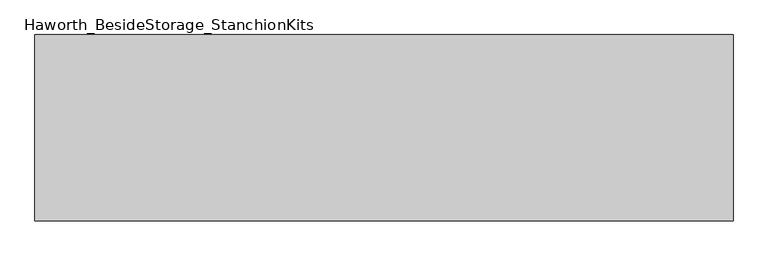
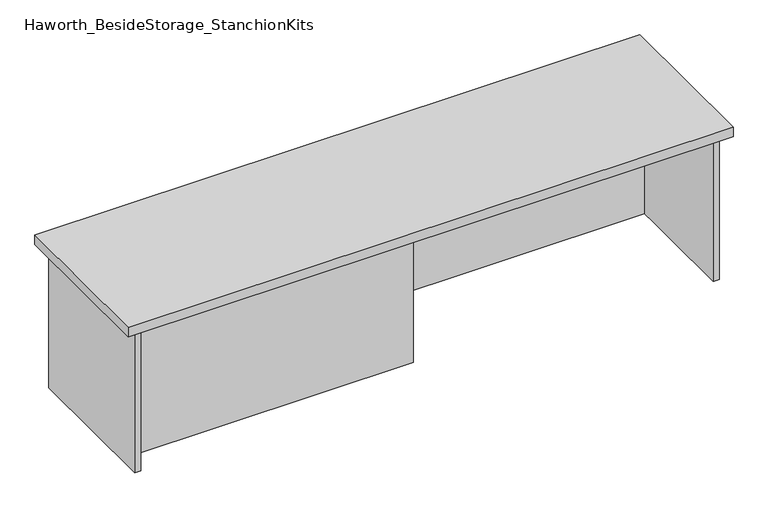
"""IFC4 building model written with IfcOpenShell, lengths in millimetres: furniture geometry, Haworth_BesideStorage_StanchionKits."""

from ifc_helpers import new_model, si_unit, frame, origin, place, context, project, spatial, polyline, outline, extrude, source, transform, mapped, element, save


def haworth_besidestorage_stanchionkits_cfe02e44(model_context):
    return source(origin(), model_context, "Body", "SweptSolid", [
        extrude(outline(polyline([(923.925, 0.0), (923.925, -406.4), (-600.075, -406.4), (-600.075, 0.0), (923.925, 0.0)])), frame((0.0, 0.0, 812.8), z_axis=(0.0, 0.0, 1.0), x_axis=(1.0, 0.0, 0.0)), (0.0, 0.0, 1.0), 25.4),
        extrude(outline(polyline([(161.925, -76.2), (882.65, -76.2), (882.65, -92.075), (161.925, -92.075), (161.925, -76.2)])), frame((0.0, 0.0, 431.8), z_axis=(0.0, 0.0, 1.0), x_axis=(1.0, 0.0, 0.0)), (0.0, 0.0, 1.0), 381.0),
        extrude(outline(polyline([(161.925, -314.325), (161.925, -330.2), (-558.8, -330.2), (-558.8, -314.325), (161.925, -314.325)])), frame((0.0, 0.0, 431.8), z_axis=(0.0, 0.0, 1.0), x_axis=(1.0, 0.0, 0.0)), (0.0, 0.0, 1.0), 381.0),
        extrude(outline(polyline([(898.525, -390.525), (882.65, -390.525), (882.65, -15.875), (898.525, -15.875), (898.525, -390.525)])), frame((0.0, 0.0, 431.8), z_axis=(0.0, 0.0, 1.0), x_axis=(1.0, 0.0, 0.0)), (0.0, 0.0, 1.0), 381.0),
        extrude(outline(polyline([(-558.8, -390.525), (-574.675, -390.525), (-574.675, -15.875), (-558.8, -15.875), (-558.8, -390.525)])), frame((0.0, 0.0, 431.8), z_axis=(0.0, 0.0, 1.0), x_axis=(1.0, 0.0, 0.0)), (0.0, 0.0, 1.0), 381.0),
    ])


if __name__ == "__main__":
    model = new_model("IFC4")
    model_context = context("Model", 3, world=origin())
    ifc_project = project(units=[si_unit("LENGTHUNIT", "METRE", prefix="MILLI")], contexts=[model_context])
    site = spatial("IfcSite", under=ifc_project)
    building = spatial("IfcBuilding", under=site)
    placement = place(None, origin())
    haworth_besidestorage_stanchionkits_shape = haworth_besidestorage_stanchionkits_cfe02e44(model_context)
    element("IfcFurniture", 1, ObjectType="Haworth_BesideStorage_StanchionKits", at=placement, inside=building, context=model_context, shape_type="MappedRepresentation", body=[
        mapped(haworth_besidestorage_stanchionkits_shape, transform((0.0, 0.0, 0.0), x_axis=(1.0, 0.0, 0.0), y_axis=(0.0, 1.0, 0.0), z_axis=(0.0, 0.0, 1.0))),
    ])
    save(model, "model.ifc")
